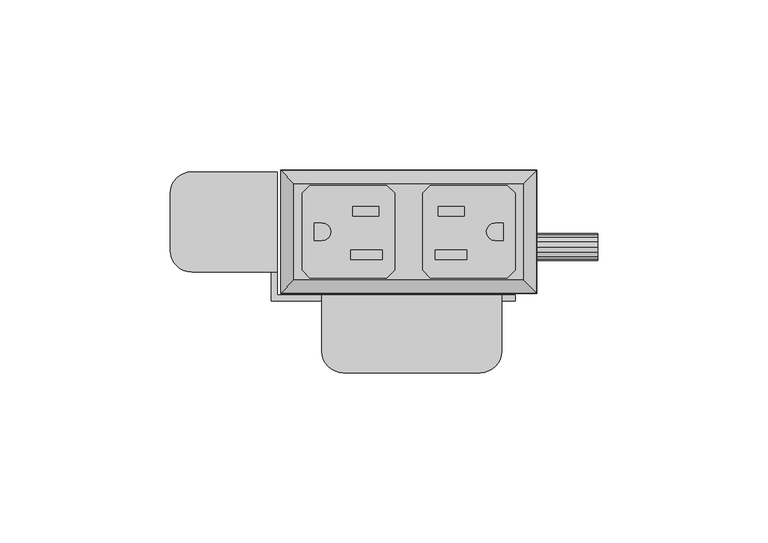
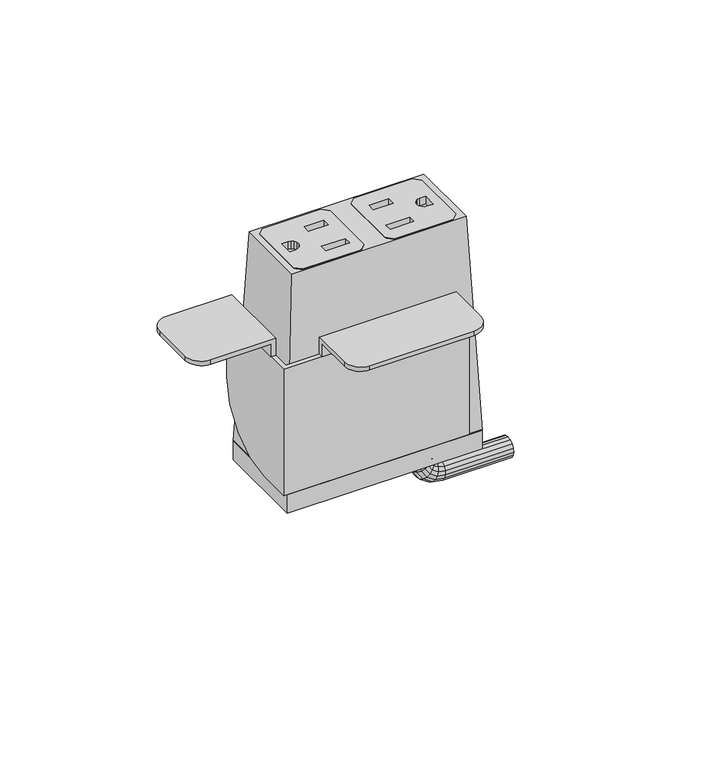
"""IFC4 building model written with IfcOpenShell, lengths in millimetres: furniture geometry."""

from ifc_helpers import new_model, si_unit, frame, origin, place, context, project, spatial, polyline, circle_curve, outline, extrude, faceted_brep, source, transform, mapped, element, save
from ifc_brep_helpers import plane_surface, cylinder_surface, advanced_brep


def furniture_d47bbd3b(model_context):
    return source(origin(), model_context, "Body", "SolidModel", [
        advanced_brep(
        [(-40.3213097, 35.7098966, 81.8509176), (-38.5433114, 35.7098966, 81.8509176), (-38.5433114, 6.2712966, 81.8509176), (-40.3213097, 6.2712966, 81.8509176), (-40.3213097, 6.2712966, 86.9309179), (-40.3213097, 35.7098966, 86.9309179), (-38.5433114, 6.2712966, 88.7089179), (-63.6065435, 6.2712966, 88.7089179), (-63.6065435, 6.2712966, 86.9309179), (-38.5433114, 35.7098966, 88.7089179), (-63.6065435, 35.7098966, 86.9309179), (-63.6065435, 35.7098966, 88.7089179), (-69.9565435, 29.3598966, 88.7089179), (-69.9565435, 12.6212966, 88.7089179), (-69.9565435, 12.6212966, 86.9309179), (-69.9565435, 29.3598966, 86.9309179)],
        [
            (0, 1),
            (1, 2),
            (2, 3),
            (3, 0),
            (3, 4),
            (4, 5),
            (5, 0),
            (2, 6),
            (6, 7),
            (7, 8),
            (8, 4),
            (1, 9),
            (9, 6),
            (5, 10),
            (10, 11),
            (11, 9),
            (11, 12, circle_curve(frame((-63.6065435, 29.3598966, 88.7089179), z_axis=(0.0, 0.0, 1.0), x_axis=(0.0, 1.0, 0.0)), 6.35)),
            (12, 13),
            (13, 7, circle_curve(frame((-63.6065435, 12.6212966, 88.7089179), z_axis=(0.0, 0.0, 1.0), x_axis=(-1.0, 0.0, 0.0)), 6.35)),
            (8, 14, circle_curve(frame((-63.6065435, 12.6212966, 86.9309179), z_axis=(0.0, 0.0, -1.0), x_axis=(-1.0, 0.0, 0.0)), 6.35)),
            (14, 15),
            (15, 10, circle_curve(frame((-63.6065435, 29.3598966, 86.9309179), z_axis=(0.0, 0.0, -1.0), x_axis=(0.0, 1.0, 0.0)), 6.35)),
            (15, 12),
            (14, 13),
        ],
        [
            plane_surface(frame((-40.3213097, 35.7098966, 81.8509176), z_axis=(0.0, 0.0, -1.0), x_axis=(0.0, 1.0, 0.0))),
            plane_surface(frame((-40.3213097, 35.7098966, 86.9309179), z_axis=(-1.0, 0.0, 0.0), x_axis=(0.0, 0.0, -1.0))),
            plane_surface(frame((-40.3213097, 6.2712966, 86.9309179), z_axis=(0.0, -1.0, 0.0), x_axis=(0.0, 0.0, -1.0))),
            plane_surface(frame((-38.5433114, 6.2712966, 86.9309179), z_axis=(1.0, 0.0, 0.0), x_axis=(0.0, 0.0, -1.0))),
            plane_surface(frame((-38.5433114, 35.7098966, 86.9309179), z_axis=(0.0, 1.0, 0.0), x_axis=(0.0, 0.0, -1.0))),
            plane_surface(frame((-63.6065435, 35.7098966, 88.7089179), z_axis=(0.0, 0.0, 1.0), x_axis=(-1.0, 0.0, 0.0))),
            plane_surface(frame((-63.6065435, 35.7098966, 86.9309179), z_axis=(0.0, 0.0, -1.0), x_axis=(1.0, 0.0, 0.0))),
            cylinder_surface(frame((-63.6065435, 29.3598966, 86.9309179), z_axis=(0.0, 0.0, 1.0), x_axis=(0.0, 1.0, 0.0)), 6.35),
            plane_surface(frame((-69.9565435, 29.3598966, 88.7089179), z_axis=(-1.0, 0.0, 0.0), x_axis=(0.0, 0.0, -1.0))),
            cylinder_surface(frame((-63.6065435, 12.6212966, 86.9309179), z_axis=(0.0, 0.0, 1.0), x_axis=(-1.0, 0.0, 0.0)), 6.35),
        ],
        [
            (0, [[1, 2, 3, 4]]),
            (1, [[-4, 5, 6, 7]]),
            (2, [[-3, 8, 9, 10, 11, -5]]),
            (3, [[-8, -2, 12, 13]]),
            (4, [[-12, -1, -7, 14, 15, 16]]),
            (5, [[17, 18, 19, -9, -13, -16]]),
            (6, [[20, 21, 22, -14, -6, -11]]),
            (7, [[-17, -15, -22, 23]]),
            (8, [[-18, -23, -21, 24]]),
            (9, [[-19, -24, -20, -10]]),
        ],
    ),
        advanced_brep(
        [(-25.5065435, -2.263104, 81.8509176), (-25.5065435, -0.485104, 81.8509176), (27.3254565, -0.485104, 81.8509176), (27.3254565, -2.263104, 81.8509176), (27.3254565, -2.263104, 86.9309179), (-25.5065435, -2.263104, 86.9309179), (27.3254565, -0.485104, 88.7089179), (27.3254565, -16.9697034, 88.7089179), (27.3254565, -16.9697034, 86.9309179), (-25.5065435, -0.485104, 88.7089179), (-25.5065435, -16.9697034, 86.9309179), (-25.5065435, -16.9697034, 88.7089179), (-19.1565435, -23.3197034, 88.7089179), (20.9754565, -23.3197034, 88.7089179), (-19.1565435, -23.3197034, 86.9309179), (20.9754565, -23.3197034, 86.9309179)],
        [
            (0, 1),
            (1, 2),
            (2, 3),
            (3, 0),
            (3, 4),
            (4, 5),
            (5, 0),
            (2, 6),
            (6, 7),
            (7, 8),
            (8, 4),
            (1, 9),
            (9, 6),
            (5, 10),
            (10, 11),
            (11, 9),
            (12, 13),
            (13, 7, circle_curve(frame((20.9754565, -16.9697034, 88.7089179), z_axis=(0.0, 0.0, 1.0), x_axis=(0.0, -1.0, 0.0)), 6.35)),
            (11, 12, circle_curve(frame((-19.1565435, -16.9697034, 88.7089179), z_axis=(0.0, 0.0, 1.0), x_axis=(-1.0, 0.0, 0.0)), 6.35)),
            (14, 10, circle_curve(frame((-19.1565435, -16.9697034, 86.9309179), z_axis=(0.0, 0.0, -1.0), x_axis=(-1.0, 0.0, 0.0)), 6.35)),
            (8, 15, circle_curve(frame((20.9754565, -16.9697034, 86.9309179), z_axis=(0.0, 0.0, -1.0), x_axis=(0.0, -1.0, 0.0)), 6.35)),
            (15, 14),
            (12, 14),
            (15, 13),
        ],
        [
            plane_surface(frame((-40.3213097, 35.7098966, 81.8509176), z_axis=(0.0, 0.0, -1.0), x_axis=(0.0, 1.0, 0.0))),
            plane_surface(frame((-25.5065435, -2.263104, 86.9309179), z_axis=(0.0, -1.0, 0.0), x_axis=(0.0, 0.0, -1.0))),
            plane_surface(frame((27.3254565, -2.263104, 86.9309179), z_axis=(1.0, 0.0, 0.0), x_axis=(0.0, 0.0, -1.0))),
            plane_surface(frame((27.3254565, -0.485104, 86.9309179), z_axis=(0.0, 1.0, 0.0), x_axis=(0.0, 0.0, -1.0))),
            plane_surface(frame((-25.5065435, -0.485104, 86.9309179), z_axis=(-1.0, 0.0, 0.0), x_axis=(0.0, 0.0, -1.0))),
            plane_surface(frame((-63.6065435, 35.7098966, 88.7089179), z_axis=(0.0, 0.0, 1.0), x_axis=(-1.0, 0.0, 0.0))),
            plane_surface(frame((-63.6065435, 35.7098966, 86.9309179), z_axis=(0.0, 0.0, -1.0), x_axis=(1.0, 0.0, 0.0))),
            plane_surface(frame((-19.1565435, -23.3197034, 88.7089179), z_axis=(0.0, -1.0, 0.0), x_axis=(0.0, 0.0, -1.0))),
            cylinder_surface(frame((20.9754565, -16.9697034, 0.0), z_axis=(0.0, 0.0, 1.0), x_axis=(0.0, -1.0, 0.0)), 6.35),
            cylinder_surface(frame((-19.1565435, -16.9697034, 0.0), z_axis=(0.0, 0.0, 1.0), x_axis=(-1.0, 0.0, 0.0)), 6.35),
        ],
        [
            (0, [[1, 2, 3, 4]]),
            (1, [[-4, 5, 6, 7]]),
            (2, [[-3, 8, 9, 10, 11, -5]]),
            (3, [[-8, -2, 12, 13]]),
            (4, [[-12, -1, -7, 14, 15, 16]]),
            (5, [[17, 18, -9, -13, -16, 19]]),
            (6, [[20, -14, -6, -11, 21, 22]]),
            (7, [[-17, 23, -22, 24]]),
            (8, [[-18, -24, -21, -10]]),
            (9, [[-19, -15, -20, -23]]),
        ],
    ),
        faceted_brep([(-38.5433114, -0.4851034, 30.2889191), (-38.5433114, 10.3098958, 30.2889191), (-38.5433114, 20.0300556, 32.2223767), (-38.5433114, 28.2704093, 37.7284042), (-38.5433114, 33.7764367, 45.9687578), (-38.5433114, 35.7098966, 55.6889176), (-38.5433114, 35.7098966, 81.8509176), (-38.5433114, -0.4851034, 81.8509176), (-40.3213097, 35.7098966, 81.8509176), (-40.3213097, 35.7098966, 55.6889176), (-40.3213097, 33.7764367, 45.9687578), (-40.3213097, 28.2704093, 37.7284042), (-40.3213097, 20.0300556, 32.2223767), (-40.3213097, 10.3098958, 30.2889191), (-40.3213097, -2.263104, 30.2889191), (-40.3213097, -2.263104, 81.8509176), (31.3066902, -0.485104, 30.2889191), (31.3066902, -2.263104, 30.2889191), (31.3066902, -2.263104, 81.8509176), (31.3066902, -0.485104, 81.8509176)], [[[0, 1, 2, 3, 4, 5, 6, 7]], [[8, 9, 10, 11, 12, 13, 14, 15]], [[1, 0, 16, 17, 14, 13]], [[2, 1, 13, 12]], [[3, 2, 12, 11]], [[4, 3, 11, 10]], [[5, 4, 10, 9]], [[6, 5, 9, 8]], [[7, 6, 8, 15, 18, 19]], [[18, 15, 14, 17]], [[19, 18, 17, 16]], [[19, 16, 0, 7]]]),
        faceted_brep([(19.2300181, 10.0434089, 20.7044984), (20.7463626, 9.7417898, 20.7044984), (22.2627071, 10.0434089, 20.7044984), (23.5482038, 10.9023499, 20.7044984), (24.4071433, 12.1878433, 20.7044984), (24.7087626, 13.7041888, 20.7044984), (24.4071433, 15.2205343, 20.7044984), (23.5482038, 16.5060299, 20.7044984), (22.2627071, 17.3649687, 20.7044984), (20.7463626, 17.66659, 20.7044984), (19.2300181, 17.3649687, 20.7044984), (17.9445236, 16.5060299, 20.7044984), (17.0856511, 15.2206362, 20.7044984), (16.7839896, 13.7040588, 20.7044984), (17.085583, 12.1878433, 20.7044984), (17.9445236, 10.9023499, 20.7044984), (17.9445236, 10.9023499, 15.1901248), (19.2300181, 10.0434089, 15.3158931), (17.085583, 12.1878433, 15.1060891), (16.7839896, 13.7040588, 15.0765822), (17.0856511, 15.2206362, 15.1060957), (17.9445236, 16.5060299, 15.1901248), (19.2300181, 17.3649687, 15.3158931), (20.7463626, 17.66659, 15.464247), (22.2627071, 17.3649687, 15.6126008), (23.5482038, 16.5060299, 15.7383693), (24.4071433, 15.2205343, 15.822405), (24.7087626, 13.7041888, 15.8519143), (24.4071433, 12.1878433, 15.822405), (23.5482038, 10.9023499, 15.7383693), (22.2627071, 10.0434089, 15.6126008), (20.7463626, 9.7417898, 15.464247), (18.729948, 10.9023499, 11.214583), (19.941507, 10.0434089, 11.7145866), (17.9204095, 12.1878433, 10.880491), (17.6361623, 13.7040588, 10.7631838), (17.9204737, 15.2206362, 10.8805175), (18.729948, 16.5060299, 11.214583), (19.941507, 17.3649687, 11.7145866), (21.3706386, 17.66659, 12.3043812), (22.7997703, 17.3649687, 12.8941758), (24.0113314, 16.5060299, 13.3941803), (24.8208688, 15.2205343, 13.7282719), (25.1051404, 13.7041888, 13.8455892), (24.8208688, 12.1878433, 13.7282719), (24.0113314, 10.9023499, 13.3941803), (22.7997703, 10.0434089, 12.8941758), (21.3706386, 9.7417898, 12.3043812), (21.133989, 10.9023499, 7.6065559), (22.0619806, 10.0434089, 8.5321425), (20.5139244, 12.1878433, 6.9880982), (20.2962057, 13.7040588, 6.7709438), (20.5139736, 15.2206362, 6.9881472), (21.133989, 16.5060299, 7.6065559), (22.0619806, 17.3649687, 8.5321425), (23.1566215, 17.66659, 9.6239466), (24.2512625, 17.3649687, 10.7157508), (25.1792557, 16.5060299, 11.641339), (25.7993195, 15.2205343, 12.2597959), (26.0170568, 13.7041888, 12.476969), (25.7993195, 12.1878433, 12.2597959), (25.1792557, 10.9023499, 11.641339), (24.2512625, 10.0434089, 10.7157508), (23.1566215, 9.7417898, 9.6239466), (24.7357656, 10.9023499, 5.1931605), (25.2389112, 10.0434089, 6.4034181), (24.3995742, 12.1878433, 4.3844916), (24.2815298, 13.7040588, 4.1005497), (24.3996009, 15.2206362, 4.3845557), (24.7357656, 16.5060299, 5.1931605), (25.2389112, 17.3649687, 6.4034181), (25.8324121, 17.66659, 7.8310147), (26.4259129, 17.3649687, 9.2586112), (26.9290594, 16.5060299, 10.4688709), (27.2652504, 15.2205343, 11.2775387), (27.3833049, 13.7041888, 11.561505), (27.2652504, 12.1878433, 11.2775387), (26.9290594, 10.9023499, 10.4688709), (26.4259129, 10.0434089, 9.2586112), (25.8324121, 9.7417898, 7.8310147), (28.7122096, 10.9023499, 4.3968327), (28.8399568, 10.0434089, 5.6822681), (28.6268515, 12.1878433, 3.5379316), (28.5968804, 13.7040588, 3.236352), (28.6268583, 15.2206362, 3.5379997), (28.7122096, 16.5060299, 4.3968327), (28.8399568, 17.3649687, 5.6822681), (28.990645, 17.66659, 7.1985428), (29.1413332, 17.3649687, 8.7148176), (29.2690806, 16.5060299, 10.0002552), (29.3544386, 15.2205343, 10.8591552), (29.3844123, 13.7041888, 11.1607606), (29.3544386, 12.1878433, 10.8591552), (29.2690806, 10.9023499, 10.0002552), (29.1413332, 10.0434089, 8.7148176), (28.990645, 9.7417898, 7.1985428), (55.4923621, 10.0434089, 5.6699082), (55.4917659, 10.9023499, 4.3844139), (55.4913676, 12.1878433, 3.5254733), (55.4912278, 13.7040588, 3.2238799), (55.4913676, 15.2206362, 3.5255414), (55.4917659, 16.5060299, 4.3844139), (55.4923621, 17.3649687, 5.6699082), (55.4930653, 17.66659, 7.1862525), (55.4937685, 17.3649687, 8.7025968), (55.4943646, 16.5060299, 9.9880934), (55.4947629, 15.2205343, 10.8470328), (55.4949028, 13.7041888, 11.1486521), (55.4947629, 12.1878433, 10.8470328), (55.4943646, 10.9023499, 9.9880934), (55.4937685, 10.0434089, 8.7025968), (55.4930653, 9.7417898, 7.1862525)], [[[0, 1, 2, 3, 4, 5, 6, 7, 8, 9, 10, 11, 12, 13, 14, 15]], [[0, 15, 16, 17]], [[15, 14, 18, 16]], [[14, 13, 19, 18]], [[13, 12, 20, 19]], [[12, 11, 21, 20]], [[11, 10, 22, 21]], [[10, 9, 23, 22]], [[9, 8, 24, 23]], [[8, 7, 25, 24]], [[7, 6, 26, 25]], [[6, 5, 27, 26]], [[5, 4, 28, 27]], [[4, 3, 29, 28]], [[3, 2, 30, 29]], [[2, 1, 31, 30]], [[1, 0, 17, 31]], [[17, 16, 32, 33]], [[16, 18, 34, 32]], [[18, 19, 35, 34]], [[19, 20, 36, 35]], [[20, 21, 37, 36]], [[21, 22, 38, 37]], [[22, 23, 39, 38]], [[23, 24, 40, 39]], [[24, 25, 41, 40]], [[25, 26, 42, 41]], [[26, 27, 43, 42]], [[27, 28, 44, 43]], [[28, 29, 45, 44]], [[29, 30, 46, 45]], [[30, 31, 47, 46]], [[31, 17, 33, 47]], [[33, 32, 48, 49]], [[32, 34, 50, 48]], [[34, 35, 51, 50]], [[35, 36, 52, 51]], [[36, 37, 53, 52]], [[37, 38, 54, 53]], [[38, 39, 55, 54]], [[39, 40, 56, 55]], [[40, 41, 57, 56]], [[41, 42, 58, 57]], [[42, 43, 59, 58]], [[43, 44, 60, 59]], [[44, 45, 61, 60]], [[45, 46, 62, 61]], [[46, 47, 63, 62]], [[47, 33, 49, 63]], [[49, 48, 64, 65]], [[48, 50, 66, 64]], [[50, 51, 67, 66]], [[51, 52, 68, 67]], [[52, 53, 69, 68]], [[53, 54, 70, 69]], [[54, 55, 71, 70]], [[55, 56, 72, 71]], [[56, 57, 73, 72]], [[57, 58, 74, 73]], [[58, 59, 75, 74]], [[59, 60, 76, 75]], [[60, 61, 77, 76]], [[61, 62, 78, 77]], [[62, 63, 79, 78]], [[63, 49, 65, 79]], [[65, 64, 80, 81]], [[64, 66, 82, 80]], [[66, 67, 83, 82]], [[67, 68, 84, 83]], [[68, 69, 85, 84]], [[69, 70, 86, 85]], [[70, 71, 87, 86]], [[71, 72, 88, 87]], [[72, 73, 89, 88]], [[73, 74, 90, 89]], [[74, 75, 91, 90]], [[75, 76, 92, 91]], [[76, 77, 93, 92]], [[77, 78, 94, 93]], [[78, 79, 95, 94]], [[79, 65, 81, 95]], [[96, 97, 98, 99, 100, 101, 102, 103, 104, 105, 106, 107, 108, 109, 110, 111]], [[81, 80, 97, 96]], [[80, 82, 98, 97]], [[82, 83, 99, 98]], [[83, 84, 100, 99]], [[84, 85, 101, 100]], [[85, 86, 102, 101]], [[86, 87, 103, 102]], [[87, 88, 104, 103]], [[88, 89, 105, 104]], [[89, 90, 106, 105]], [[90, 91, 107, 106]], [[91, 92, 108, 107]], [[92, 93, 109, 108]], [[93, 94, 110, 109]], [[94, 95, 111, 110]], [[95, 81, 96, 111]]]),
        extrude(outline(polyline([(4.095751, 6.7967745), (4.095751, 29.4025213), (6.3817511, 31.6884953), (28.9877506, 31.6884953), (31.2737507, 29.4025213), (31.2737507, 6.7967745), (28.9877506, 4.5107994), (6.3817511, 4.5107994), (4.095751, 6.7967745)]), holes=[polyline([(8.7185509, 22.6969963), (16.3893508, 22.6969963), (16.3893508, 25.5417639), (8.7185509, 25.5417639), (8.7185509, 22.6969963)]), polyline([(17.0497506, 12.7911057), (7.8041508, 12.7911057), (7.8041508, 9.9463393), (17.0497506, 9.9463393), (17.0497506, 12.7911057)]), polyline([(27.7177518, 20.7158184), (25.4571499, 20.7158184), (24.4559755, 20.5166743), (23.6072174, 19.94956), (23.0400963, 19.1008132), (22.840951, 18.0996479), (23.0400963, 17.0984827), (23.6072174, 16.2497359), (24.4559755, 15.6826216), (25.4571499, 15.4834763), (27.7177518, 15.4834763), (27.7177518, 20.7158184)])]), frame((0.0, 0.0, 111.7518077), z_axis=(0.0, 0.0, 1.0), x_axis=(1.0, 0.0, 0.0)), (0.0, 0.0, 1.0), 2.9898066),
        extrude(outline(polyline([(-4.0957501, 6.7967745), (-6.3817502, 4.5107994), (-28.9877496, 4.5107994), (-31.2737497, 6.7967745), (-31.2737497, 29.4025213), (-28.9877496, 31.6884953), (-6.3817502, 31.6884953), (-4.0957501, 29.4025213), (-4.0957501, 6.7967745)]), holes=[polyline([(-8.71855, 22.6969963), (-8.71855, 25.5417639), (-16.3893498, 25.5417639), (-16.3893498, 22.6969963), (-8.71855, 22.6969963)]), polyline([(-17.0497496, 12.7911057), (-17.0497496, 9.9463393), (-7.8041498, 9.9463393), (-7.8041498, 12.7911057), (-17.0497496, 12.7911057)]), polyline([(-27.7177508, 20.7158184), (-27.7177508, 15.4834763), (-25.4571489, 15.4834763), (-24.4559745, 15.6826216), (-23.6072164, 16.2497359), (-23.0400953, 17.0984827), (-22.84095, 18.0996479), (-23.0400953, 19.1008132), (-23.6072164, 19.94956), (-24.4559745, 20.5166743), (-25.4571489, 20.7158184), (-27.7177508, 20.7158184)])]), frame((0.0, 0.0, 111.7518077), z_axis=(0.0, 0.0, 1.0), x_axis=(1.0, 0.0, 0.0)), (0.0, 0.0, 1.0), 2.9898066),
        extrude(outline(polyline([(-37.5920005, 0.0), (-37.5920005, 36.1950004), (37.5920005, 36.1950004), (37.5920005, 0.0), (-37.5920005, 0.0)])), frame((0.0, 0.0, 20.7044984), z_axis=(0.0, 0.0, 1.0), x_axis=(1.0, 0.0, 0.0)), (0.0, 0.0, 1.0), 7.6200001),
        faceted_brep([(37.5920005, 36.1971472, 28.3363399), (-37.5920005, 36.1971472, 28.3363399), (-33.6549997, 32.3236469, 114.6963371), (33.6550007, 32.3236469, 114.6963371), (37.5920015, 0.002147, 28.3363399), (-37.5920005, 0.002147, 28.3363399), (33.6550007, 3.8756479, 114.6963371), (-33.6549997, 3.8756479, 114.6963371), (-6.3817502, 4.5107994, 114.6963371), (-28.9877496, 4.5107994, 114.6963371), (-31.2737497, 6.7967745, 114.6963371), (-31.2737497, 29.4025213, 114.6963371), (-28.9877496, 31.6884953, 114.6963371), (-6.3817502, 31.6884953, 114.6963371), (-4.0957501, 29.4025213, 114.6963371), (-4.0957501, 6.7967745, 114.6963371), (6.3817511, 4.5107994, 114.6963371), (4.095751, 6.7967745, 114.6963371), (4.095751, 29.4025213, 114.6963371), (6.3817511, 31.6884953, 114.6963371), (28.9877506, 31.6884953, 114.6963371), (31.2737507, 29.4025213, 114.6963371), (31.2737507, 6.7967745, 114.6963371), (28.9877506, 4.5107994, 114.6963371), (-28.9877496, 4.5107994, 111.7518077), (-6.3817502, 4.5107994, 111.7518077), (-4.0957501, 6.7967745, 111.7518077), (-4.0957501, 29.4025213, 111.7518077), (-6.3817502, 31.6884953, 111.7518077), (-28.9877496, 31.6884953, 111.7518077), (-31.2737497, 29.4025213, 111.7518077), (-31.2737497, 6.7967745, 111.7518077), (6.3817511, 4.5107994, 107.2509176), (4.095751, 6.7967745, 107.2509176), (28.9877506, 4.5107994, 107.2509176), (31.2737507, 6.7967745, 107.2509176), (31.2737507, 29.4025213, 107.2509176), (28.9877506, 31.6884953, 107.2509176), (6.3817511, 31.6884953, 107.2509176), (4.095751, 29.4025213, 107.2509176)], [[[0, 1, 2, 3]], [[1, 0, 4, 5]], [[5, 4, 6, 7]], [[3, 2, 7, 6], [8, 9, 10, 11, 12, 13, 14, 15], [16, 17, 18, 19, 20, 21, 22, 23]], [[2, 1, 5, 7]], [[0, 3, 6, 4]], [[24, 25, 26, 27, 28, 29, 30, 31]], [[25, 24, 9, 8]], [[26, 25, 8, 15]], [[27, 26, 15, 14]], [[28, 27, 14, 13]], [[29, 28, 13, 12]], [[30, 29, 12, 11]], [[31, 30, 11, 10]], [[24, 31, 10, 9]], [[32, 33, 17, 16]], [[34, 32, 16, 23]], [[35, 34, 23, 22]], [[36, 35, 22, 21]], [[37, 36, 21, 20]], [[38, 37, 20, 19]], [[39, 38, 19, 18]], [[33, 39, 18, 17]], [[33, 32, 34, 35, 36, 37, 38, 39]]]),
    ])


if __name__ == "__main__":
    model = new_model("IFC4")
    model_context = context("Model", 3, world=origin())
    ifc_project = project(units=[si_unit("LENGTHUNIT", "METRE", prefix="MILLI")], contexts=[model_context])
    site = spatial("IfcSite", under=ifc_project)
    building = spatial("IfcBuilding", under=site)
    placement = place(None, origin())
    furniture_shape = furniture_d47bbd3b(model_context)
    element("IfcFurniture", 1, at=placement, inside=building, context=model_context, shape_type="MappedRepresentation", body=[
        mapped(furniture_shape, transform((0.0, 0.0, 0.0), x_axis=(1.0, 0.0, 0.0), y_axis=(0.0, 1.0, 0.0), z_axis=(0.0, 0.0, 1.0))),
    ])
    save(model, "model.ifc")
